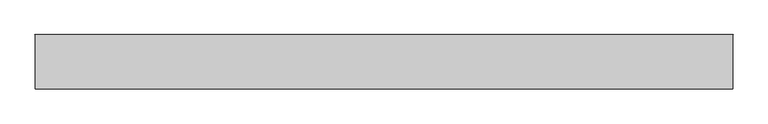
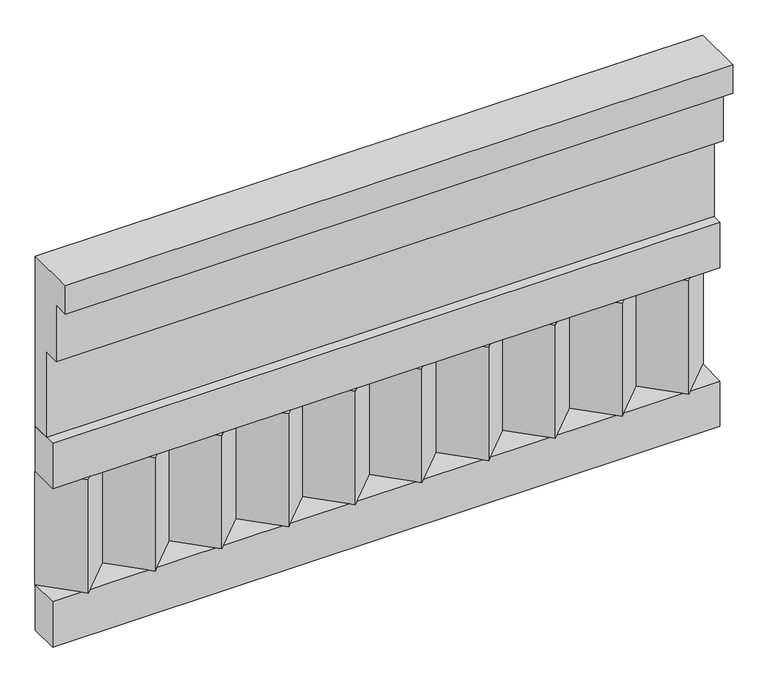
"""IFC4 building model written with IfcOpenShell, lengths in millimetres: railing geometry."""

from ifc_helpers import new_model, si_unit, frame, origin, place, context, project, spatial, polyline, outline, extrude, source, transform, mapped, element, save


def railing_41324571(model_context):
    return source(origin(), model_context, "Body", "SweptSolid", [
        extrude(outline(polyline([(-16816.8920513, 25100.0), (-16816.8920513, 24650.0), (-16866.8920513, 24650.0), (-16866.8920513, 24875.0), (-16906.8920513, 24875.0), (-16906.8920513, 25025.0), (-16946.8920513, 25025.0), (-16946.8920513, 25100.0), (-16816.8920513, 25100.0)])), frame((-26239.9887159, 0.0, 0.0), z_axis=(1.0, 0.0, 0.0), x_axis=(0.0, 1.0, 0.0)), (0.0, 0.0, 1.0), 1670.0),
        extrude(outline(polyline([(-26239.9887159, -16891.8920513), (-26239.9887159, -16816.8920513), (-24569.9887159, -16816.8920513), (-24569.9887159, -16891.8920513), (-26239.9887159, -16891.8920513)])), frame((0.0, 0.0, 24530.0), z_axis=(0.0, 0.0, 1.0), x_axis=(1.0, 0.0, 0.0)), (0.0, 0.0, 1.0), 120.0),
        extrude(outline(polyline([(-26239.9887159, -16891.8920513), (-26239.9887159, -16816.8920513), (-24569.9887159, -16816.8920513), (-24569.9887159, -16891.8920513), (-26239.9887159, -16891.8920513)])), frame((0.0, 0.0, 24110.0), z_axis=(0.0, 0.0, 1.0), x_axis=(1.0, 0.0, 0.0)), (0.0, 0.0, 1.0), 120.0),
        extrude(outline(polyline([(-24653.4887159, -16901.7448651), (-24738.3415296, -16816.8920513), (-24568.6359022, -16816.8920513), (-24653.4887159, -16901.7448651)])), frame((0.0, 0.0, 24230.0), z_axis=(0.0, 0.0, 1.0), x_axis=(1.0, 0.0, 0.0)), (0.0, 0.0, 1.0), 300.0),
        extrude(outline(polyline([(-24820.4887159, -16901.7448651), (-24905.3415296, -16816.8920513), (-24735.6359022, -16816.8920513), (-24820.4887159, -16901.7448651)])), frame((0.0, 0.0, 24230.0), z_axis=(0.0, 0.0, 1.0), x_axis=(1.0, 0.0, 0.0)), (0.0, 0.0, 1.0), 300.0),
        extrude(outline(polyline([(-24987.4887159, -16901.7448651), (-25072.3415296, -16816.8920513), (-24902.6359022, -16816.8920513), (-24987.4887159, -16901.7448651)])), frame((0.0, 0.0, 24230.0), z_axis=(0.0, 0.0, 1.0), x_axis=(1.0, 0.0, 0.0)), (0.0, 0.0, 1.0), 300.0),
        extrude(outline(polyline([(-25154.4887159, -16901.7448651), (-25239.3415296, -16816.8920513), (-25069.6359022, -16816.8920513), (-25154.4887159, -16901.7448651)])), frame((0.0, 0.0, 24230.0), z_axis=(0.0, 0.0, 1.0), x_axis=(1.0, 0.0, 0.0)), (0.0, 0.0, 1.0), 300.0),
        extrude(outline(polyline([(-25321.4887159, -16901.7448651), (-25406.3415296, -16816.8920513), (-25236.6359022, -16816.8920513), (-25321.4887159, -16901.7448651)])), frame((0.0, 0.0, 24230.0), z_axis=(0.0, 0.0, 1.0), x_axis=(1.0, 0.0, 0.0)), (0.0, 0.0, 1.0), 300.0),
        extrude(outline(polyline([(-25488.4887159, -16901.7448651), (-25573.3415296, -16816.8920513), (-25403.6359022, -16816.8920513), (-25488.4887159, -16901.7448651)])), frame((0.0, 0.0, 24230.0), z_axis=(0.0, 0.0, 1.0), x_axis=(1.0, 0.0, 0.0)), (0.0, 0.0, 1.0), 300.0),
        extrude(outline(polyline([(-25655.4887159, -16901.7448651), (-25740.3415296, -16816.8920513), (-25570.6359022, -16816.8920513), (-25655.4887159, -16901.7448651)])), frame((0.0, 0.0, 24230.0), z_axis=(0.0, 0.0, 1.0), x_axis=(1.0, 0.0, 0.0)), (0.0, 0.0, 1.0), 300.0),
        extrude(outline(polyline([(-25822.4887159, -16901.7448651), (-25907.3415296, -16816.8920513), (-25737.6359022, -16816.8920513), (-25822.4887159, -16901.7448651)])), frame((0.0, 0.0, 24230.0), z_axis=(0.0, 0.0, 1.0), x_axis=(1.0, 0.0, 0.0)), (0.0, 0.0, 1.0), 300.0),
        extrude(outline(polyline([(-25989.4887159, -16901.7448651), (-26074.3415296, -16816.8920513), (-25904.6359022, -16816.8920513), (-25989.4887159, -16901.7448651)])), frame((0.0, 0.0, 24230.0), z_axis=(0.0, 0.0, 1.0), x_axis=(1.0, 0.0, 0.0)), (0.0, 0.0, 1.0), 300.0),
        extrude(outline(polyline([(-26156.4887159, -16901.7448651), (-26241.3415296, -16816.8920513), (-26071.6359022, -16816.8920513), (-26156.4887159, -16901.7448651)])), frame((0.0, 0.0, 24230.0), z_axis=(0.0, 0.0, 1.0), x_axis=(1.0, 0.0, 0.0)), (0.0, 0.0, 1.0), 300.0),
    ])


if __name__ == "__main__":
    model = new_model("IFC4")
    model_context = context("Model", 3, world=origin())
    ifc_project = project(units=[si_unit("LENGTHUNIT", "METRE", prefix="MILLI")], contexts=[model_context])
    site = spatial("IfcSite", under=ifc_project)
    building = spatial("IfcBuilding", under=site)
    placement = place(None, origin())
    railing_shape = railing_41324571(model_context)
    element("IfcRailing", 1, at=placement, inside=building, context=model_context, shape_type="MappedRepresentation", body=[
        mapped(railing_shape, transform((0.0, 0.0, 0.0), x_axis=(1.0, 0.0, 0.0), y_axis=(0.0, 1.0, 0.0), z_axis=(0.0, 0.0, 1.0))),
    ])
    save(model, "model.ifc")
